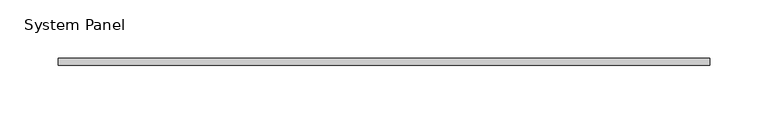
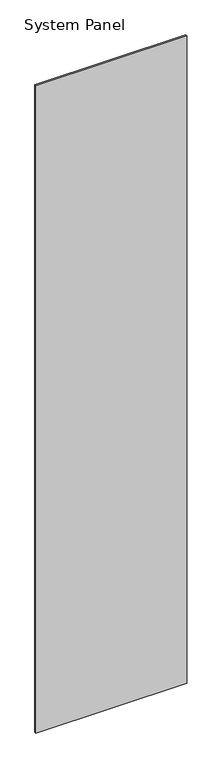
"""IFC4 building model written with IfcOpenShell, lengths in millimetres: plate geometry, System Panel."""

from ifc_helpers import new_model, si_unit, origin, origin_with_axes, place, context, project, spatial, polyline, outline, extrude, source, transform, mapped, element, save


def system_panel_cfa29d04(model_context):
    return source(origin(), model_context, "Body", "SweptSolid", [
        extrude(outline(polyline([(280.0, -3.0), (-280.0, -3.0), (-280.0, 3.0), (280.0, 3.0), (280.0, -3.0)])), origin_with_axes(), (0.0, 0.0, 1.0), 2540.0),
    ])


if __name__ == "__main__":
    model = new_model("IFC4")
    model_context = context("Model", 3, world=origin())
    ifc_project = project(units=[si_unit("LENGTHUNIT", "METRE", prefix="MILLI")], contexts=[model_context])
    site = spatial("IfcSite", under=ifc_project)
    building = spatial("IfcBuilding", under=site)
    placement = place(None, origin())
    system_panel_shape = system_panel_cfa29d04(model_context)
    element("IfcPlate", 1, ObjectType="System Panel", at=placement, inside=building, context=model_context, shape_type="MappedRepresentation", body=[
        mapped(system_panel_shape, transform((0.0, 0.0, 0.0), x_axis=(1.0, 0.0, 0.0), y_axis=(0.0, 1.0, 0.0), z_axis=(0.0, 0.0, 1.0))),
    ])
    save(model, "model.ifc")
